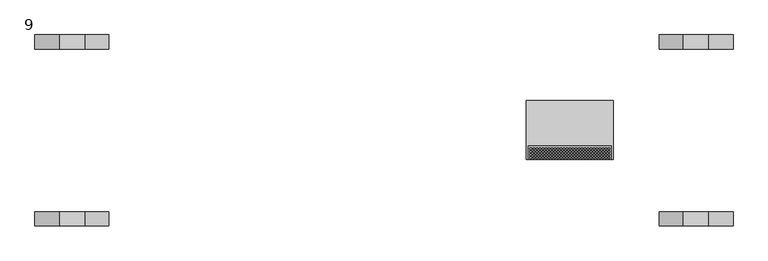
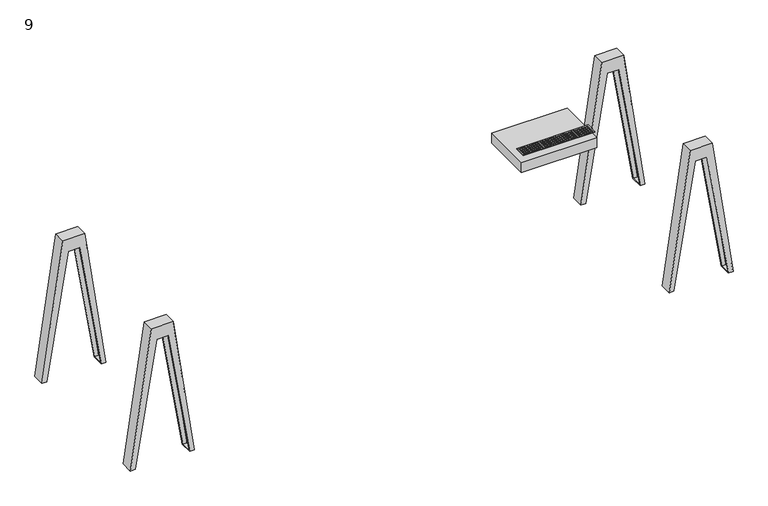
"""IFC4 building model written with IfcOpenShell, lengths in millimetres: furniture geometry, 9."""

import ifcopenshell
import ifcopenshell.guid

model = None  # the IFC model being written
_history = None  # IfcOwnerHistory: only IFC2X3 demands one
_inside = {}  # id of a spatial element -> (the spatial element, [elements in it])
_under = {}  # id of a project, library or spatial element -> (it, [spatial elements below it])
_declared = {}  # id of a project -> (the project, [libraries it declares])
_typed = {}  # id of a type object -> (the type object, [elements of that type])
_made_of = {}  # id of a material, layer set ... -> (it, [elements and type objects made of it])


def new_model(schema):
    """Start an empty IFC model of exactly this schema.

    Asked for "IFC4X3", IfcOpenShell would pick the latest addendum, in which some entities
    have other attributes; the version numbers below select the first issue.
    IFC2X3 requires an IfcOwnerHistory on every rooted entity: one is made here for all.
    """
    global model, _history
    if schema == "IFC4X3":
        model = ifcopenshell.file(schema_version=(4, 3, 0, 0))
    else:
        model = ifcopenshell.file(schema=schema)
    _inside.clear()
    _under.clear()
    _declared.clear()
    _typed.clear()
    _made_of.clear()
    _history = None
    if model.schema == "IFC2X3":
        org = make("IfcOrganization", Name="unknown")
        user = make(
            "IfcPersonAndOrganization",
            ThePerson=make("IfcPerson", FamilyName="unknown"),
            TheOrganization=org,
        )
        app = make(
            "IfcApplication",
            ApplicationDeveloper=org,
            Version="unknown",
            ApplicationFullName="unknown",
            ApplicationIdentifier="unknown",
        )
        _history = make(
            "IfcOwnerHistory",
            OwningUser=user,
            OwningApplication=app,
            ChangeAction="ADDED",
            CreationDate=0,
        )
    return model


def make(cls, **values):
    """One entity of the class cls with the attributes given. An attribute that is None is left unset."""
    return model.create_entity(
        cls, **{name: value for name, value in values.items() if value is not None}
    )


def rooted(cls, **values):
    """An entity with a GlobalId (a new one), such as an element, a storey or a relation."""
    return make(cls, GlobalId=ifcopenshell.guid.new(), OwnerHistory=_history, **values)


def si_unit(unit_type, name, prefix=None):
    """IfcSIUnit, for example si_unit("LENGTHUNIT", "METRE", prefix="MILLI")."""
    return make("IfcSIUnit", UnitType=unit_type, Prefix=prefix, Name=name)


def assignment(units):
    """IfcUnitAssignment: the units of a project."""
    return None if units is None else make("IfcUnitAssignment", Units=units)


def point(xyz):
    """IfcCartesianPoint."""
    return None if xyz is None else make("IfcCartesianPoint", Coordinates=xyz)


def direction(xyz):
    """IfcDirection."""
    return None if xyz is None else make("IfcDirection", DirectionRatios=xyz)


def frame(location, z_axis=None, x_axis=None):
    """IfcAxis2Placement3D, a coordinate frame: its origin and axes. An axis left out is left unset."""
    return make(
        "IfcAxis2Placement3D",
        Location=point(location),
        Axis=direction(z_axis),
        RefDirection=direction(x_axis),
    )


def origin():
    """The frame at (0, 0, 0) with its axes left unset."""
    return frame((0.0, 0.0, 0.0))


def place(relative_to, where):
    """IfcLocalPlacement: puts the frame where relative to a parent placement (None: the world)."""
    return make(
        "IfcLocalPlacement", PlacementRelTo=relative_to, RelativePlacement=where
    )


def context(
    kind, dimensions, precision=None, world=None, true_north=None, identifier=None
):
    """IfcGeometricRepresentationContext, for example the 3D "Model" context."""
    return make(
        "IfcGeometricRepresentationContext",
        ContextIdentifier=identifier,
        ContextType=kind,
        CoordinateSpaceDimension=dimensions,
        Precision=precision,
        WorldCoordinateSystem=world,
        TrueNorth=true_north,
    )


def project(units=None, contexts=None):
    """IfcProject with its units and contexts."""
    return rooted(
        "IfcProject",
        Name="project",
        RepresentationContexts=contexts,
        UnitsInContext=assignment(units),
    )


def spatial(cls, under=None, at=None, **own):
    """A site, building, storey or space (cls), placed at a placement, below another one or the project."""
    s = rooted(cls, ObjectPlacement=at, **own)
    if under is not None:
        _under.setdefault(under.id(), (under, []))[1].append(s)
    return s


def polyline(points):
    """IfcPolyline through the points."""
    return make("IfcPolyline", Points=[point(p) for p in points])


def outline(outer, holes=None, kind="AREA"):
    """IfcArbitraryClosedProfileDef: a profile drawn as a closed curve; with holes, ...WithVoids."""
    if holes is None:
        return make("IfcArbitraryClosedProfileDef", ProfileType=kind, OuterCurve=outer)
    return make(
        "IfcArbitraryProfileDefWithVoids",
        ProfileType=kind,
        OuterCurve=outer,
        InnerCurves=holes,
    )


def extrude(swept, where, along, depth):
    """IfcExtrudedAreaSolid: the profile swept, set in the frame where, extruded along a direction by depth."""
    return make(
        "IfcExtrudedAreaSolid",
        SweptArea=swept,
        Position=where,
        ExtrudedDirection=direction(along),
        Depth=depth,
    )


def faces_of(points, faces, orient=None, outer=None):
    """IfcFace entities. A face is a list of loops; a loop is a list of indices into points, from 0.

    orient and outer hold one flag for each loop. By default every Orientation is true, the
    first loop of a face is its IfcFaceOuterBound and the others are IfcFaceBound.
    """
    made = []
    for i, loops in enumerate(faces):
        bounds = []
        for j, loop in enumerate(loops):
            is_outer = j == 0 if outer is None else outer[i][j]
            bounds.append(
                make(
                    "IfcFaceOuterBound" if is_outer else "IfcFaceBound",
                    Bound=make("IfcPolyLoop", Polygon=[points[k] for k in loop]),
                    Orientation=True if orient is None else orient[i][j],
                )
            )
        made.append(make("IfcFace", Bounds=bounds))
    return made


def faceted_brep(points, faces, orient=None, outer=None, voids=None):
    """IfcFacetedBrep: a solid bounded by flat faces; with voids (closed shells), ...WithVoids."""
    shared = [point(p) for p in points]
    hull = make("IfcClosedShell", CfsFaces=faces_of(shared, faces, orient, outer))
    if voids is None:
        return make("IfcFacetedBrep", Outer=hull)
    return make(
        "IfcFacetedBrepWithVoids",
        Outer=hull,
        Voids=[
            make(cls, CfsFaces=faces_of(shared, fs, o, b)) for cls, fs, o, b in voids
        ],
    )


def shape(context_of_items, identifier, shape_type, items):
    """IfcShapeRepresentation: the items that make up one representation, for example the "Body"."""
    return make(
        "IfcShapeRepresentation",
        ContextOfItems=context_of_items,
        RepresentationIdentifier=identifier,
        RepresentationType=shape_type,
        Items=items,
    )


def source(mapping_origin, context_of_items, identifier, shape_type, items):
    """IfcRepresentationMap: a shape defined once, which mapped items show again and again."""
    return make(
        "IfcRepresentationMap",
        MappingOrigin=mapping_origin,
        MappedRepresentation=shape(context_of_items, identifier, shape_type, items),
    )


def transform(
    local_origin,
    x_axis=None,
    y_axis=None,
    z_axis=None,
    scale=None,
    scale2=None,
    scale3=None,
    uniform=True,
):
    """IfcCartesianTransformationOperator3D, or its non-uniform kind. x_axis, y_axis, z_axis: its Axis1, 2, 3."""
    if uniform:
        return make(
            "IfcCartesianTransformationOperator3D",
            Axis1=direction(x_axis),
            Axis2=direction(y_axis),
            LocalOrigin=point(local_origin),
            Scale=scale,
            Axis3=direction(z_axis),
        )
    return make(
        "IfcCartesianTransformationOperator3DnonUniform",
        Axis1=direction(x_axis),
        Axis2=direction(y_axis),
        LocalOrigin=point(local_origin),
        Scale=scale,
        Axis3=direction(z_axis),
        Scale2=scale2,
        Scale3=scale3,
    )


def mapped(mapping_source, mapping_target):
    """IfcMappedItem: shows the shape of a source again, moved by a transform."""
    return make(
        "IfcMappedItem", MappingSource=mapping_source, MappingTarget=mapping_target
    )


def made_of(thing, what):
    """Note that an element or type object is made of a material, layer set ...; save() writes the relation."""
    if what is not None:
        _made_of.setdefault(what.id(), (what, []))[1].append(thing)
    return thing


def element(
    cls,
    number,
    at=None,
    inside=None,
    cuts=None,
    type_object=None,
    material=None,
    context=None,
    identifier="Body",
    shape_type=None,
    held_by="IfcProductDefinitionShape",
    body=None,
    shapes=None,
    **own,
):
    """One element of the class cls, such as IfcWall. Its Tag is "e" and its number.

    at: its placement. inside: the storey or other place that contains it. cuts: it is an
    opening in that element (IfcRelVoidsElement). A single representation is given by context,
    identifier, shape_type and body (its items); several are given by shapes. held_by: the class
    of the entity that holds the representations. save() writes the other relations.
    """
    e = rooted(cls, Tag="e%d" % number, ObjectPlacement=at, **own)
    if body is not None:
        shapes = [shape(context, identifier, shape_type, body)]
    if shapes is not None:
        e.Representation = make(held_by, Representations=shapes)
    if inside is not None:
        _inside.setdefault(inside.id(), (inside, []))[1].append(e)
    if cuts is not None:
        rooted(
            "IfcRelVoidsElement", RelatingBuildingElement=cuts, RelatedOpeningElement=e
        )
    if type_object is not None:
        _typed.setdefault(type_object.id(), (type_object, []))[1].append(e)
    return made_of(e, material)


def aggregate(whole, parts):
    """IfcRelAggregates: a whole, such as a stair, and the parts it consists of."""
    return rooted("IfcRelAggregates", RelatingObject=whole, RelatedObjects=parts)


def save(model, path):
    """Write the relations noted so far, then the file.

    IfcRelAggregates (storeys below a building ...), IfcRelContainedInSpatialStructure (elements
    in a storey), IfcRelDefinesByType, IfcRelAssociatesMaterial and IfcRelDeclares: one each for
    every whole, place, type object, material and project.
    """
    for whole, parts in _under.values():
        aggregate(whole, parts)
    for where, things in _inside.values():
        rooted(
            "IfcRelContainedInSpatialStructure",
            RelatedElements=things,
            RelatingStructure=where,
        )
    for kind, things in _typed.values():
        rooted("IfcRelDefinesByType", RelatedObjects=things, RelatingType=kind)
    for what, things in _made_of.values():
        rooted("IfcRelAssociatesMaterial", RelatedObjects=things, RelatingMaterial=what)
    for by, libraries in _declared.values():
        rooted("IfcRelDeclares", RelatingContext=by, RelatedDefinitions=libraries)
    model.write(path)


def furniture_9_a83ad50d(model_context):
    return source(origin(), model_context, "Body", "SolidModel", [
        faceted_brep([(2844.1568314, 748.268125, 708.025), (2946.1592831, 748.268125, 7.6398437), (2923.2909579, 748.268125, 7.6398437), (2818.3952941, 748.268125, 644.525), (2761.9683687, 748.268125, 644.525), (2657.0727049, 748.268125, 7.6398437), (2634.2043797, 748.268125, 7.6398437), (2736.2068314, 748.268125, 708.025), (2844.1568314, 688.34, 708.025), (2736.2068314, 688.34, 708.025), (2634.2043797, 688.34, 7.6398437), (2657.0727049, 688.34, 7.6398437), (2761.9683687, 688.34, 644.525), (2818.3952941, 688.34, 644.525), (2923.2909579, 688.34, 7.6398437), (2946.1592831, 688.34, 7.6398437), (2818.3952941, 690.9196875, 644.525), (2922.8660806, 690.9196875, 10.2195312), (2922.8660806, 745.6884375, 10.2195312), (2818.3952941, 745.6884375, 644.525), (2761.9683687, 745.6884375, 644.525), (2761.9683687, 690.9196875, 644.525), (2657.4975822, 745.6884375, 10.2195312), (2657.4975822, 690.9196875, 10.2195312), (2637.1869813, 690.9196875, 10.2195312), (2738.4380337, 690.9196875, 705.4453125), (2841.9256291, 690.9196875, 705.4453125), (2943.1766815, 690.9196875, 10.2195312), (2943.1766815, 745.6884375, 10.2195312), (2841.9256291, 745.6884375, 705.4453125), (2738.4380337, 745.6884375, 705.4453125), (2637.1869813, 745.6884375, 10.2195312)], [[[0, 1, 2, 3, 4, 5, 6, 7]], [[8, 9, 10, 11, 12, 13, 14, 15]], [[1, 0, 8, 15]], [[2, 1, 15, 14]], [[3, 2, 14, 13, 16, 17, 18, 19]], [[4, 3, 19, 20]], [[13, 12, 21, 16]], [[5, 4, 20, 22, 23, 21, 12, 11]], [[6, 5, 11, 10]], [[7, 6, 10, 9]], [[0, 7, 9, 8]], [[24, 25, 26, 27, 17, 16, 21, 23]], [[28, 29, 30, 31, 22, 20, 19, 18]], [[27, 28, 18, 17]], [[27, 26, 29, 28]], [[26, 25, 30, 29]], [[25, 24, 31, 30]], [[31, 24, 23, 22]]]),
        faceted_brep([(2844.1568314, -59.928125, 708.025), (2736.2068314, -59.928125, 708.025), (2634.2043797, -59.928125, 7.6398437), (2657.0727049, -59.928125, 7.6398437), (2761.9683687, -59.928125, 644.525), (2818.3952941, -59.928125, 644.525), (2923.2909579, -59.928125, 7.6398437), (2946.1592831, -59.928125, 7.6398437), (2844.1568314, 0.0, 708.025), (2946.1592831, 0.0, 7.6398437), (2923.2909579, 0.0, 7.6398437), (2818.3952941, 0.0, 644.525), (2761.9683687, 0.0, 644.525), (2657.0727049, 0.0, 7.6398437), (2634.2043797, 0.0, 7.6398437), (2736.2068314, 0.0, 708.025), (2818.3952941, -57.3484375, 644.525), (2922.8660806, -57.3484375, 10.2195312), (2922.8660806, -2.5796875, 10.2195312), (2818.3952941, -2.5796875, 644.525), (2761.9683687, -57.3484375, 644.525), (2761.9683687, -2.5796875, 644.525), (2657.4975822, -2.5796875, 10.2195312), (2657.4975822, -57.3484375, 10.2195312), (2637.1869813, -57.3484375, 10.2195312), (2738.4380337, -57.3484375, 705.4453125), (2841.9256291, -57.3484375, 705.4453125), (2943.1766815, -57.3484375, 10.2195312), (2943.1766815, -2.5796875, 10.2195312), (2841.9256291, -2.5796875, 705.4453125), (2738.4380337, -2.5796875, 705.4453125), (2637.1869813, -2.5796875, 10.2195312)], [[[0, 1, 2, 3, 4, 5, 6, 7]], [[8, 9, 10, 11, 12, 13, 14, 15]], [[0, 7, 9, 8]], [[7, 6, 10, 9]], [[6, 5, 16, 17, 18, 19, 11, 10]], [[5, 4, 20, 16]], [[12, 11, 19, 21]], [[4, 3, 13, 12, 21, 22, 23, 20]], [[3, 2, 14, 13]], [[2, 1, 15, 14]], [[1, 0, 8, 15]], [[24, 25, 26, 27, 17, 16, 20, 23]], [[28, 29, 30, 31, 22, 21, 19, 18]], [[27, 28, 18, 17]], [[27, 26, 29, 28]], [[26, 25, 30, 29]], [[25, 24, 31, 30]], [[31, 24, 23, 22]]]),
        faceted_brep([(102.0024517, 748.268125, 708.025), (209.9524517, 748.268125, 708.025), (311.9549033, 748.268125, 7.6398437), (289.0865782, 748.268125, 7.6398437), (184.1909143, 748.268125, 644.525), (127.763989, 748.268125, 644.525), (22.8683252, 748.268125, 7.6398437), (0.0, 748.268125, 7.6398437), (102.0024517, 688.34, 708.025), (0.0, 688.34, 7.6398437), (22.8683252, 688.34, 7.6398437), (127.763989, 688.34, 644.525), (184.1909143, 688.34, 644.525), (289.0865782, 688.34, 7.6398437), (311.9549033, 688.34, 7.6398437), (209.9524517, 688.34, 708.025), (127.763989, 745.6884375, 644.525), (23.2932025, 745.6884375, 10.2195312), (23.2932025, 690.9196875, 10.2195312), (127.763989, 690.9196875, 644.525), (184.1909143, 745.6884375, 644.525), (184.1909143, 690.9196875, 644.525), (288.6617009, 690.9196875, 10.2195312), (288.6617009, 745.6884375, 10.2195312), (2.9826016, 690.9196875, 10.2195312), (104.233654, 690.9196875, 705.4453125), (207.7212494, 690.9196875, 705.4453125), (308.9723018, 690.9196875, 10.2195312), (308.9723018, 745.6884375, 10.2195312), (207.7212494, 745.6884375, 705.4453125), (104.233654, 745.6884375, 705.4453125), (2.9826016, 745.6884375, 10.2195312)], [[[0, 1, 2, 3, 4, 5, 6, 7]], [[8, 9, 10, 11, 12, 13, 14, 15]], [[0, 7, 9, 8]], [[7, 6, 10, 9]], [[6, 5, 16, 17, 18, 19, 11, 10]], [[5, 4, 20, 16]], [[12, 11, 19, 21]], [[4, 3, 13, 12, 21, 22, 23, 20]], [[3, 2, 14, 13]], [[2, 1, 15, 14]], [[1, 0, 8, 15]], [[24, 25, 26, 27, 22, 21, 19, 18]], [[28, 29, 30, 31, 17, 16, 20, 23]], [[27, 28, 23, 22]], [[27, 26, 29, 28]], [[26, 25, 30, 29]], [[25, 24, 31, 30]], [[31, 24, 18, 17]]]),
        faceted_brep([(102.0024517, -59.928125, 708.025), (0.0, -59.928125, 7.6398437), (22.8683252, -59.928125, 7.6398437), (127.763989, -59.928125, 644.525), (184.1909143, -59.928125, 644.525), (289.0865782, -59.928125, 7.6398437), (311.9549033, -59.928125, 7.6398437), (209.9524517, -59.928125, 708.025), (102.0024517, 0.0, 708.025), (209.9524517, 0.0, 708.025), (311.9549033, 0.0, 7.6398437), (289.0865782, 0.0, 7.6398437), (184.1909143, 0.0, 644.525), (127.763989, 0.0, 644.525), (22.8683252, 0.0, 7.6398437), (0.0, 0.0, 7.6398437), (127.763989, -2.5796875, 644.525), (23.2932025, -2.5796875, 10.2195312), (23.2932025, -57.3484375, 10.2195312), (127.763989, -57.3484375, 644.525), (184.1909143, -57.3484375, 644.525), (184.1909143, -2.5796875, 644.525), (288.6617009, -57.3484375, 10.2195312), (288.6617009, -2.5796875, 10.2195312), (2.9826016, -57.3484375, 10.2195312), (104.233654, -57.3484375, 705.4453125), (207.7212494, -57.3484375, 705.4453125), (308.9723018, -57.3484375, 10.2195312), (308.9723018, -2.5796875, 10.2195312), (207.7212494, -2.5796875, 705.4453125), (104.233654, -2.5796875, 705.4453125), (2.9826016, -2.5796875, 10.2195312)], [[[0, 1, 2, 3, 4, 5, 6, 7]], [[8, 9, 10, 11, 12, 13, 14, 15]], [[1, 0, 8, 15]], [[2, 1, 15, 14]], [[3, 2, 14, 13, 16, 17, 18, 19]], [[4, 3, 19, 20]], [[13, 12, 21, 16]], [[5, 4, 20, 22, 23, 21, 12, 11]], [[6, 5, 11, 10]], [[7, 6, 10, 9]], [[0, 7, 9, 8]], [[24, 25, 26, 27, 22, 20, 19, 18]], [[28, 29, 30, 31, 17, 16, 21, 23]], [[27, 28, 23, 22]], [[27, 26, 29, 28]], [[26, 25, 30, 29]], [[25, 24, 31, 30]], [[31, 24, 18, 17]]]),
        extrude(outline(polyline([(2441.4546415, 220.472), (2073.1546415, 220.472), (2073.1546415, 471.17), (2441.4546415, 471.17), (2441.4546415, 220.472)])), frame((0.0, 0.0, 656.2909937), z_axis=(0.0, 0.0, 1.0), x_axis=(1.0, 0.0, 0.0)), (0.0, 0.0, 1.0), 51.7340063),
        extrude(outline(polyline([(2431.9296415, 220.472), (2082.6796415, 220.472), (2082.6796415, 277.622), (2431.9296415, 277.622), (2431.9296415, 220.472)]), holes=[polyline([(2095.5042734, 226.2020787), (2095.5042734, 232.5520787), (2089.1542734, 232.5520787), (2089.1542734, 226.2020787), (2095.5042734, 226.2020787)]), polyline([(2095.5042734, 238.9020787), (2095.5042734, 245.2520787), (2089.1542734, 245.2520787), (2089.1542734, 238.9020787), (2095.5042734, 238.9020787)]), polyline([(2095.5042734, 251.6020787), (2095.5042734, 257.9520787), (2089.1542734, 257.9520787), (2089.1542734, 251.6020787), (2095.5042734, 251.6020787)]), polyline([(2095.5042734, 264.3020787), (2095.5042734, 270.6520787), (2089.1542734, 270.6520787), (2089.1542734, 264.3020787), (2095.5042734, 264.3020787)]), polyline([(2108.2042734, 226.2020787), (2108.2042734, 232.5520787), (2101.8542734, 232.5520787), (2101.8542734, 226.2020787), (2108.2042734, 226.2020787)]), polyline([(2108.2042734, 238.9020787), (2108.2042734, 245.2520787), (2101.8542734, 245.2520787), (2101.8542734, 238.9020787), (2108.2042734, 238.9020787)]), polyline([(2108.2042734, 251.6020787), (2108.2042734, 257.9520787), (2101.8542734, 257.9520787), (2101.8542734, 251.6020787), (2108.2042734, 251.6020787)]), polyline([(2108.2042734, 264.3020787), (2108.2042734, 270.6520787), (2101.8542734, 270.6520787), (2101.8542734, 264.3020787), (2108.2042734, 264.3020787)]), polyline([(2120.9042734, 226.2020787), (2120.9042734, 232.5520787), (2114.5542734, 232.5520787), (2114.5542734, 226.2020787), (2120.9042734, 226.2020787)]), polyline([(2120.9042734, 238.9020787), (2120.9042734, 245.2520787), (2114.5542734, 245.2520787), (2114.5542734, 238.9020787), (2120.9042734, 238.9020787)]), polyline([(2120.9042734, 251.6020787), (2120.9042734, 257.9520787), (2114.5542734, 257.9520787), (2114.5542734, 251.6020787), (2120.9042734, 251.6020787)]), polyline([(2120.9042734, 264.3020787), (2120.9042734, 270.6520787), (2114.5542734, 270.6520787), (2114.5542734, 264.3020787), (2120.9042734, 264.3020787)]), polyline([(2133.6042734, 226.2020787), (2133.6042734, 232.5520787), (2127.2542734, 232.5520787), (2127.2542734, 226.2020787), (2133.6042734, 226.2020787)]), polyline([(2133.6042734, 238.9020787), (2133.6042734, 245.2520787), (2127.2542734, 245.2520787), (2127.2542734, 238.9020787), (2133.6042734, 238.9020787)]), polyline([(2133.6042734, 251.6020787), (2133.6042734, 257.9520787), (2127.2542734, 257.9520787), (2127.2542734, 251.6020787), (2133.6042734, 251.6020787)]), polyline([(2133.6042734, 264.3020787), (2133.6042734, 270.6520787), (2127.2542734, 270.6520787), (2127.2542734, 264.3020787), (2133.6042734, 264.3020787)]), polyline([(2146.3042734, 226.2020787), (2146.3042734, 232.5520787), (2139.9542734, 232.5520787), (2139.9542734, 226.2020787), (2146.3042734, 226.2020787)]), polyline([(2146.3042734, 238.9020787), (2146.3042734, 245.2520787), (2139.9542734, 245.2520787), (2139.9542734, 238.9020787), (2146.3042734, 238.9020787)]), polyline([(2146.3042734, 251.6020787), (2146.3042734, 257.9520787), (2139.9542734, 257.9520787), (2139.9542734, 251.6020787), (2146.3042734, 251.6020787)]), polyline([(2146.3042734, 264.3020787), (2146.3042734, 270.6520787), (2139.9542734, 270.6520787), (2139.9542734, 264.3020787), (2146.3042734, 264.3020787)]), polyline([(2159.0042734, 226.2020787), (2159.0042734, 232.5520787), (2152.6542734, 232.5520787), (2152.6542734, 226.2020787), (2159.0042734, 226.2020787)]), polyline([(2159.0042734, 238.9020787), (2159.0042734, 245.2520787), (2152.6542734, 245.2520787), (2152.6542734, 238.9020787), (2159.0042734, 238.9020787)]), polyline([(2159.0042734, 251.6020787), (2159.0042734, 257.9520787), (2152.6542734, 257.9520787), (2152.6542734, 251.6020787), (2159.0042734, 251.6020787)]), polyline([(2159.0042734, 264.3020787), (2159.0042734, 270.6520787), (2152.6542734, 270.6520787), (2152.6542734, 264.3020787), (2159.0042734, 264.3020787)]), polyline([(2171.7042734, 226.2020787), (2171.7042734, 232.5520787), (2165.3542734, 232.5520787), (2165.3542734, 226.2020787), (2171.7042734, 226.2020787)]), polyline([(2171.7042734, 238.9020787), (2171.7042734, 245.2520787), (2165.3542734, 245.2520787), (2165.3542734, 238.9020787), (2171.7042734, 238.9020787)]), polyline([(2171.7042734, 251.6020787), (2171.7042734, 257.9520787), (2165.3542734, 257.9520787), (2165.3542734, 251.6020787), (2171.7042734, 251.6020787)]), polyline([(2171.7042734, 264.3020787), (2171.7042734, 270.6520787), (2165.3542734, 270.6520787), (2165.3542734, 264.3020787), (2171.7042734, 264.3020787)]), polyline([(2184.4042734, 226.2020787), (2184.4042734, 232.5520787), (2178.0542734, 232.5520787), (2178.0542734, 226.2020787), (2184.4042734, 226.2020787)]), polyline([(2184.4042734, 238.9020787), (2184.4042734, 245.2520787), (2178.0542734, 245.2520787), (2178.0542734, 238.9020787), (2184.4042734, 238.9020787)]), polyline([(2184.4042734, 251.6020787), (2184.4042734, 257.9520787), (2178.0542734, 257.9520787), (2178.0542734, 251.6020787), (2184.4042734, 251.6020787)]), polyline([(2184.4042734, 264.3020787), (2184.4042734, 270.6520787), (2178.0542734, 270.6520787), (2178.0542734, 264.3020787), (2184.4042734, 264.3020787)]), polyline([(2197.1042734, 226.2020787), (2197.1042734, 232.5520787), (2190.7542734, 232.5520787), (2190.7542734, 226.2020787), (2197.1042734, 226.2020787)]), polyline([(2197.1042734, 238.9020787), (2197.1042734, 245.2520787), (2190.7542734, 245.2520787), (2190.7542734, 238.9020787), (2197.1042734, 238.9020787)]), polyline([(2197.1042734, 251.6020787), (2197.1042734, 257.9520787), (2190.7542734, 257.9520787), (2190.7542734, 251.6020787), (2197.1042734, 251.6020787)]), polyline([(2197.1042734, 264.3020787), (2197.1042734, 270.6520787), (2190.7542734, 270.6520787), (2190.7542734, 264.3020787), (2197.1042734, 264.3020787)]), polyline([(2209.8042734, 226.2020787), (2209.8042734, 232.5520787), (2203.4542734, 232.5520787), (2203.4542734, 226.2020787), (2209.8042734, 226.2020787)]), polyline([(2209.8042734, 238.9020787), (2209.8042734, 245.2520787), (2203.4542734, 245.2520787), (2203.4542734, 238.9020787), (2209.8042734, 238.9020787)]), polyline([(2209.8042734, 251.6020787), (2209.8042734, 257.9520787), (2203.4542734, 257.9520787), (2203.4542734, 251.6020787), (2209.8042734, 251.6020787)]), polyline([(2209.8042734, 264.3020787), (2209.8042734, 270.6520787), (2203.4542734, 270.6520787), (2203.4542734, 264.3020787), (2209.8042734, 264.3020787)]), polyline([(2222.5042734, 226.2020787), (2222.5042734, 232.5520787), (2216.1542734, 232.5520787), (2216.1542734, 226.2020787), (2222.5042734, 226.2020787)]), polyline([(2222.5042734, 238.9020787), (2222.5042734, 245.2520787), (2216.1542734, 245.2520787), (2216.1542734, 238.9020787), (2222.5042734, 238.9020787)]), polyline([(2222.5042734, 251.6020787), (2222.5042734, 257.9520787), (2216.1542734, 257.9520787), (2216.1542734, 251.6020787), (2222.5042734, 251.6020787)]), polyline([(2222.5042734, 264.3020787), (2222.5042734, 270.6520787), (2216.1542734, 270.6520787), (2216.1542734, 264.3020787), (2222.5042734, 264.3020787)]), polyline([(2235.2042734, 226.2020787), (2235.2042734, 232.5520787), (2228.8542734, 232.5520787), (2228.8542734, 226.2020787), (2235.2042734, 226.2020787)]), polyline([(2235.2042734, 238.9020787), (2235.2042734, 245.2520787), (2228.8542734, 245.2520787), (2228.8542734, 238.9020787), (2235.2042734, 238.9020787)]), polyline([(2235.2042734, 251.6020787), (2235.2042734, 257.9520787), (2228.8542734, 257.9520787), (2228.8542734, 251.6020787), (2235.2042734, 251.6020787)]), polyline([(2235.2042734, 264.3020787), (2235.2042734, 270.6520787), (2228.8542734, 270.6520787), (2228.8542734, 264.3020787), (2235.2042734, 264.3020787)]), polyline([(2247.9042734, 226.2020787), (2247.9042734, 232.5520787), (2241.5542734, 232.5520787), (2241.5542734, 226.2020787), (2247.9042734, 226.2020787)]), polyline([(2247.9042734, 238.9020787), (2247.9042734, 245.2520787), (2241.5542734, 245.2520787), (2241.5542734, 238.9020787), (2247.9042734, 238.9020787)]), polyline([(2247.9042734, 251.6020787), (2247.9042734, 257.9520787), (2241.5542734, 257.9520787), (2241.5542734, 251.6020787), (2247.9042734, 251.6020787)]), polyline([(2247.9042734, 264.3020787), (2247.9042734, 270.6520787), (2241.5542734, 270.6520787), (2241.5542734, 264.3020787), (2247.9042734, 264.3020787)]), polyline([(2260.6042734, 226.2020787), (2260.6042734, 232.5520787), (2254.2542734, 232.5520787), (2254.2542734, 226.2020787), (2260.6042734, 226.2020787)]), polyline([(2260.6042734, 238.9020787), (2260.6042734, 245.2520787), (2254.2542734, 245.2520787), (2254.2542734, 238.9020787), (2260.6042734, 238.9020787)]), polyline([(2260.6042734, 251.6020787), (2260.6042734, 257.9520787), (2254.2542734, 257.9520787), (2254.2542734, 251.6020787), (2260.6042734, 251.6020787)]), polyline([(2260.6042734, 264.3020787), (2260.6042734, 270.6520787), (2254.2542734, 270.6520787), (2254.2542734, 264.3020787), (2260.6042734, 264.3020787)]), polyline([(2273.3042734, 226.2020787), (2273.3042734, 232.5520787), (2266.9542734, 232.5520787), (2266.9542734, 226.2020787), (2273.3042734, 226.2020787)]), polyline([(2273.3042734, 238.9020787), (2273.3042734, 245.2520787), (2266.9542734, 245.2520787), (2266.9542734, 238.9020787), (2273.3042734, 238.9020787)]), polyline([(2273.3042734, 251.6020787), (2273.3042734, 257.9520787), (2266.9542734, 257.9520787), (2266.9542734, 251.6020787), (2273.3042734, 251.6020787)]), polyline([(2273.3042734, 264.3020787), (2273.3042734, 270.6520787), (2266.9542734, 270.6520787), (2266.9542734, 264.3020787), (2273.3042734, 264.3020787)]), polyline([(2286.0042734, 226.2020787), (2286.0042734, 232.5520787), (2279.6542734, 232.5520787), (2279.6542734, 226.2020787), (2286.0042734, 226.2020787)]), polyline([(2286.0042734, 238.9020787), (2286.0042734, 245.2520787), (2279.6542734, 245.2520787), (2279.6542734, 238.9020787), (2286.0042734, 238.9020787)]), polyline([(2286.0042734, 251.6020787), (2286.0042734, 257.9520787), (2279.6542734, 257.9520787), (2279.6542734, 251.6020787), (2286.0042734, 251.6020787)]), polyline([(2286.0042734, 264.3020787), (2286.0042734, 270.6520787), (2279.6542734, 270.6520787), (2279.6542734, 264.3020787), (2286.0042734, 264.3020787)]), polyline([(2298.7042734, 226.2020787), (2298.7042734, 232.5520787), (2292.3542734, 232.5520787), (2292.3542734, 226.2020787), (2298.7042734, 226.2020787)]), polyline([(2298.7042734, 238.9020787), (2298.7042734, 245.2520787), (2292.3542734, 245.2520787), (2292.3542734, 238.9020787), (2298.7042734, 238.9020787)]), polyline([(2298.7042734, 251.6020787), (2298.7042734, 257.9520787), (2292.3542734, 257.9520787), (2292.3542734, 251.6020787), (2298.7042734, 251.6020787)]), polyline([(2298.7042734, 264.3020787), (2298.7042734, 270.6520787), (2292.3542734, 270.6520787), (2292.3542734, 264.3020787), (2298.7042734, 264.3020787)]), polyline([(2311.4042734, 226.2020787), (2311.4042734, 232.5520787), (2305.0542734, 232.5520787), (2305.0542734, 226.2020787), (2311.4042734, 226.2020787)]), polyline([(2311.4042734, 238.9020787), (2311.4042734, 245.2520787), (2305.0542734, 245.2520787), (2305.0542734, 238.9020787), (2311.4042734, 238.9020787)]), polyline([(2311.4042734, 251.6020787), (2311.4042734, 257.9520787), (2305.0542734, 257.9520787), (2305.0542734, 251.6020787), (2311.4042734, 251.6020787)]), polyline([(2311.4042734, 264.3020787), (2311.4042734, 270.6520787), (2305.0542734, 270.6520787), (2305.0542734, 264.3020787), (2311.4042734, 264.3020787)]), polyline([(2324.1042734, 226.2020787), (2324.1042734, 232.5520787), (2317.7542734, 232.5520787), (2317.7542734, 226.2020787), (2324.1042734, 226.2020787)]), polyline([(2324.1042734, 238.9020787), (2324.1042734, 245.2520787), (2317.7542734, 245.2520787), (2317.7542734, 238.9020787), (2324.1042734, 238.9020787)]), polyline([(2324.1042734, 251.6020787), (2324.1042734, 257.9520787), (2317.7542734, 257.9520787), (2317.7542734, 251.6020787), (2324.1042734, 251.6020787)]), polyline([(2324.1042734, 264.3020787), (2324.1042734, 270.6520787), (2317.7542734, 270.6520787), (2317.7542734, 264.3020787), (2324.1042734, 264.3020787)]), polyline([(2336.8042734, 226.2020787), (2336.8042734, 232.5520787), (2330.4542734, 232.5520787), (2330.4542734, 226.2020787), (2336.8042734, 226.2020787)]), polyline([(2336.8042734, 238.9020787), (2336.8042734, 245.2520787), (2330.4542734, 245.2520787), (2330.4542734, 238.9020787), (2336.8042734, 238.9020787)]), polyline([(2336.8042734, 251.6020787), (2336.8042734, 257.9520787), (2330.4542734, 257.9520787), (2330.4542734, 251.6020787), (2336.8042734, 251.6020787)]), polyline([(2336.8042734, 264.3020787), (2336.8042734, 270.6520787), (2330.4542734, 270.6520787), (2330.4542734, 264.3020787), (2336.8042734, 264.3020787)]), polyline([(2349.5042734, 226.2020787), (2349.5042734, 232.5520787), (2343.1542734, 232.5520787), (2343.1542734, 226.2020787), (2349.5042734, 226.2020787)]), polyline([(2349.5042734, 238.9020787), (2349.5042734, 245.2520787), (2343.1542734, 245.2520787), (2343.1542734, 238.9020787), (2349.5042734, 238.9020787)]), polyline([(2349.5042734, 251.6020787), (2349.5042734, 257.9520787), (2343.1542734, 257.9520787), (2343.1542734, 251.6020787), (2349.5042734, 251.6020787)]), polyline([(2349.5042734, 264.3020787), (2349.5042734, 270.6520787), (2343.1542734, 270.6520787), (2343.1542734, 264.3020787), (2349.5042734, 264.3020787)]), polyline([(2362.2042734, 226.2020787), (2362.2042734, 232.5520787), (2355.8542734, 232.5520787), (2355.8542734, 226.2020787), (2362.2042734, 226.2020787)]), polyline([(2362.2042734, 238.9020787), (2362.2042734, 245.2520787), (2355.8542734, 245.2520787), (2355.8542734, 238.9020787), (2362.2042734, 238.9020787)]), polyline([(2362.2042734, 251.6020787), (2362.2042734, 257.9520787), (2355.8542734, 257.9520787), (2355.8542734, 251.6020787), (2362.2042734, 251.6020787)]), polyline([(2362.2042734, 264.3020787), (2362.2042734, 270.6520787), (2355.8542734, 270.6520787), (2355.8542734, 264.3020787), (2362.2042734, 264.3020787)]), polyline([(2374.9042734, 226.2020787), (2374.9042734, 232.5520787), (2368.5542734, 232.5520787), (2368.5542734, 226.2020787), (2374.9042734, 226.2020787)]), polyline([(2374.9042734, 238.9020787), (2374.9042734, 245.2520787), (2368.5542734, 245.2520787), (2368.5542734, 238.9020787), (2374.9042734, 238.9020787)]), polyline([(2374.9042734, 251.6020787), (2374.9042734, 257.9520787), (2368.5542734, 257.9520787), (2368.5542734, 251.6020787), (2374.9042734, 251.6020787)]), polyline([(2374.9042734, 264.3020787), (2374.9042734, 270.6520787), (2368.5542734, 270.6520787), (2368.5542734, 264.3020787), (2374.9042734, 264.3020787)]), polyline([(2387.6042734, 226.2020787), (2387.6042734, 232.5520787), (2381.2542734, 232.5520787), (2381.2542734, 226.2020787), (2387.6042734, 226.2020787)]), polyline([(2387.6042734, 238.9020787), (2387.6042734, 245.2520787), (2381.2542734, 245.2520787), (2381.2542734, 238.9020787), (2387.6042734, 238.9020787)]), polyline([(2387.6042734, 251.6020787), (2387.6042734, 257.9520787), (2381.2542734, 257.9520787), (2381.2542734, 251.6020787), (2387.6042734, 251.6020787)]), polyline([(2387.6042734, 264.3020787), (2387.6042734, 270.6520787), (2381.2542734, 270.6520787), (2381.2542734, 264.3020787), (2387.6042734, 264.3020787)]), polyline([(2400.3042734, 226.2020787), (2400.3042734, 232.5520787), (2393.9542734, 232.5520787), (2393.9542734, 226.2020787), (2400.3042734, 226.2020787)]), polyline([(2400.3042734, 238.9020787), (2400.3042734, 245.2520787), (2393.9542734, 245.2520787), (2393.9542734, 238.9020787), (2400.3042734, 238.9020787)]), polyline([(2400.3042734, 251.6020787), (2400.3042734, 257.9520787), (2393.9542734, 257.9520787), (2393.9542734, 251.6020787), (2400.3042734, 251.6020787)]), polyline([(2400.3042734, 264.3020787), (2400.3042734, 270.6520787), (2393.9542734, 270.6520787), (2393.9542734, 264.3020787), (2400.3042734, 264.3020787)]), polyline([(2413.0042734, 226.2020787), (2413.0042734, 232.5520787), (2406.6542734, 232.5520787), (2406.6542734, 226.2020787), (2413.0042734, 226.2020787)]), polyline([(2413.0042734, 238.9020787), (2413.0042734, 245.2520787), (2406.6542734, 245.2520787), (2406.6542734, 238.9020787), (2413.0042734, 238.9020787)]), polyline([(2413.0042734, 251.6020787), (2413.0042734, 257.9520787), (2406.6542734, 257.9520787), (2406.6542734, 251.6020787), (2413.0042734, 251.6020787)]), polyline([(2413.0042734, 264.3020787), (2413.0042734, 270.6520787), (2406.6542734, 270.6520787), (2406.6542734, 264.3020787), (2413.0042734, 264.3020787)]), polyline([(2425.7042734, 226.2020787), (2425.7042734, 232.5520787), (2419.3542734, 232.5520787), (2419.3542734, 226.2020787), (2425.7042734, 226.2020787)]), polyline([(2425.7042734, 238.9020787), (2425.7042734, 245.2520787), (2419.3542734, 245.2520787), (2419.3542734, 238.9020787), (2425.7042734, 238.9020787)]), polyline([(2425.7042734, 251.6020787), (2425.7042734, 257.9520787), (2419.3542734, 257.9520787), (2419.3542734, 251.6020787), (2425.7042734, 251.6020787)]), polyline([(2425.7042734, 264.3020787), (2425.7042734, 270.6520787), (2419.3542734, 270.6520787), (2419.3542734, 264.3020787), (2425.7042734, 264.3020787)])]), frame((0.0, 0.0, 739.775), z_axis=(0.0, 0.0, 1.0), x_axis=(1.0, 0.0, 0.0)), (0.0, 0.0, 1.0), 2.54),
    ])


if __name__ == "__main__":
    model = new_model("IFC4")
    model_context = context("Model", 3, world=origin())
    ifc_project = project(units=[si_unit("LENGTHUNIT", "METRE", prefix="MILLI")], contexts=[model_context])
    site = spatial("IfcSite", under=ifc_project)
    building = spatial("IfcBuilding", under=site)
    placement = place(None, origin())
    furniture_9_shape = furniture_9_a83ad50d(model_context)
    element("IfcFurniture", 1, ObjectType="9", at=placement, inside=building, context=model_context, shape_type="MappedRepresentation", body=[
        mapped(furniture_9_shape, transform((0.0, 0.0, 0.0), x_axis=(1.0, 0.0, 0.0), y_axis=(0.0, 1.0, 0.0), z_axis=(0.0, 0.0, 1.0))),
    ])
    save(model, "model.ifc")
